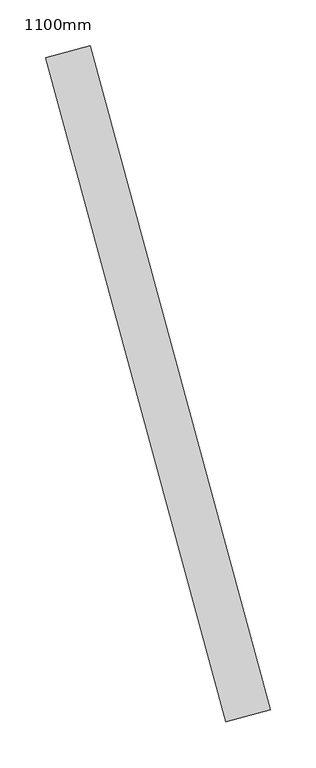
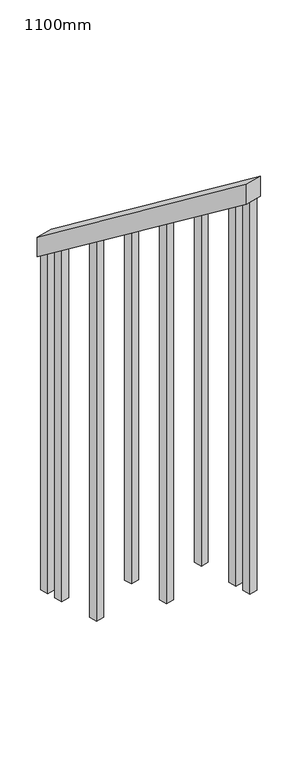
"""IFC4 building model written with IfcOpenShell, lengths in millimetres: railing geometry, 1100mm."""

from ifc_helpers import new_model, si_unit, frame, origin, place, context, project, spatial, polyline, outline, extrude, source, transform, mapped, element, save


def railing_1100mm_d4f181e9(model_context):
    return source(origin(), model_context, "Body", "SweptSolid", [
        extrude(outline(polyline([(35.5555555, -50.0), (0.0, 0.0), (920.2958461, 0.0), (955.8514016, -50.0), (35.5555555, -50.0)])), frame((144183.2796421, 28152.2922834, 1216.4247214), z_axis=(0.9649894123601861, 0.2622888370341805, 0.0), x_axis=(0.21375368431593933, -0.7864232597553618, 0.5795237863600706)), (0.0, 0.0, 1.0), 50.0),
        extrude(outline(polyline([(108.8888889, 0.0), (1271.980277, 0.0), (1271.980277, -25.0000001), (91.1111112, -25.0000001), (108.8888889, 0.0)])), frame((144372.3869747, 27504.2030406, 1805.3136103), z_axis=(0.9649894123601861, 0.26228883703418043, 0.0), x_axis=(0.0, 0.0, -1.0)), (0.0, 0.0, 1.0), 25.0),
        extrude(outline(polyline([(108.8888889, 0.0), (1183.0913881, 0.0), (1183.0913881, -25.0), (91.1111111, -25.0), (108.8888889, 0.0)])), frame((144339.6008701, 27624.8267171, 1716.4247214), z_axis=(0.9649894123601861, 0.26228883703418043, 0.0), x_axis=(0.0, 0.0, -1.0)), (0.0, 0.0, 1.0), 25.0),
        extrude(outline(polyline([(108.8888889, 0.0), (1271.9802769, 0.0), (1271.9802769, -25.0), (91.1111111, -25.0), (108.8888889, 0.0)])), frame((144306.8147655, 27745.4503936, 1627.5358325), z_axis=(0.9649894123601861, 0.26228883703418043, 0.0), x_axis=(0.0, 0.0, -1.0)), (0.0, 0.0, 1.0), 25.0),
        extrude(outline(polyline([(108.8888889, 0.0), (1183.091388, 0.0), (1183.091388, -25.0), (91.1111111, -25.0), (108.8888889, 0.0)])), frame((144274.0286609, 27866.0740702, 1538.6469436), z_axis=(0.9649894123601861, 0.26228883703418043, 0.0), x_axis=(0.0, 0.0, -1.0)), (0.0, 0.0, 1.0), 25.0),
        extrude(outline(polyline([(108.8888889, 0.0), (1271.9802769, 0.0), (1271.9802769, -25.0), (91.1111111, -25.0), (108.8888889, 0.0)])), frame((144241.2425562, 27986.6977467, 1449.7580547), z_axis=(0.9649894123601861, 0.26228883703418043, 0.0), x_axis=(0.0, 0.0, -1.0)), (0.0, 0.0, 1.0), 25.0),
        extrude(outline(polyline([(108.8888889, 0.0), (1183.091388, 0.0), (1183.091388, -25.0), (91.1111111, -25.0), (108.8888889, 0.0)])), frame((144208.4564516, 28107.3214233, 1360.8691658), z_axis=(0.9649894123601861, 0.26228883703418043, 0.0), x_axis=(0.0, 0.0, -1.0)), (0.0, 0.0, 1.0), 25.0),
        extrude(outline(polyline([(108.8888889, 0.0), (1307.5358325, 0.0), (1307.5358325, -25.0), (91.1111111, -25.0), (108.8888889, 0.0)])), frame((144385.5014166, 27455.9535699, 1840.8691658), z_axis=(0.9649894123601861, 0.26228883703418043, 0.0), x_axis=(0.0, 0.0, -1.0)), (0.0, 0.0, 1.0), 25.0),
        extrude(outline(polyline([(108.8888889, 0.0), (1147.5358325, 0.0), (1147.5358325, -25.0), (91.1111112, -25.0), (108.8888889, 0.0)])), frame((144195.3420097, 28155.5708939, 1325.3136103), z_axis=(0.9649894123601861, 0.26228883703418043, 0.0), x_axis=(0.0, 0.0, -1.0)), (0.0, 0.0, 1.0), 25.0),
    ])


if __name__ == "__main__":
    model = new_model("IFC4")
    model_context = context("Model", 3, world=origin())
    ifc_project = project(units=[si_unit("LENGTHUNIT", "METRE", prefix="MILLI")], contexts=[model_context])
    site = spatial("IfcSite", under=ifc_project)
    building = spatial("IfcBuilding", under=site)
    placement = place(None, origin())
    railing_1100mm_shape = railing_1100mm_d4f181e9(model_context)
    element("IfcRailing", 1, ObjectType="1100mm", at=placement, inside=building, context=model_context, shape_type="MappedRepresentation", body=[
        mapped(railing_1100mm_shape, transform((0.0, 0.0, 0.0), x_axis=(1.0, 0.0, 0.0), y_axis=(0.0, 1.0, 0.0), z_axis=(0.0, 0.0, 1.0))),
    ])
    save(model, "model.ifc")
